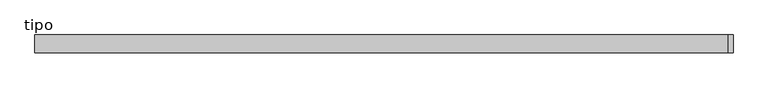
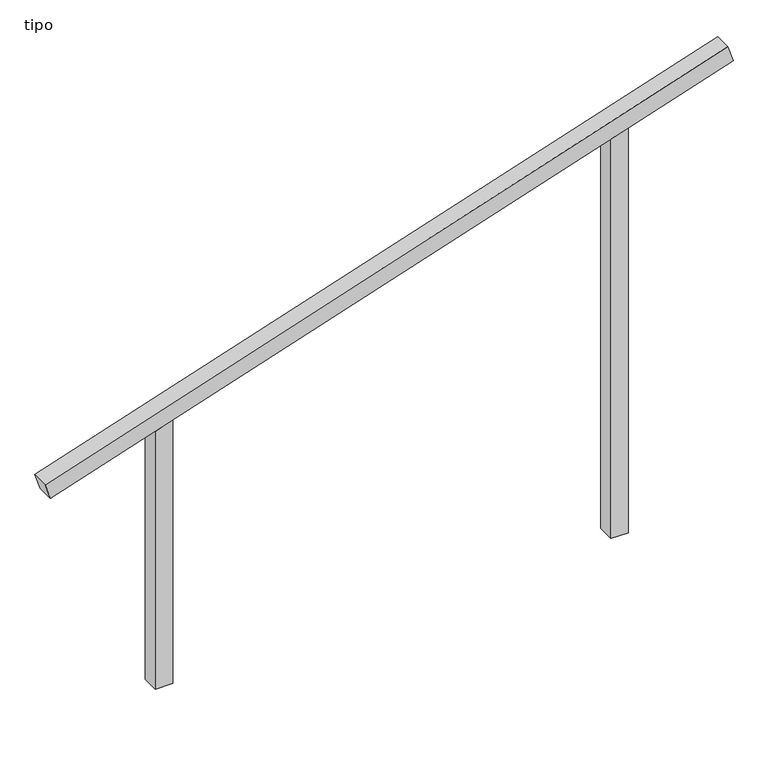
"""IFC4 building model written with IfcOpenShell, lengths in millimetres: proxy geometry, tipo."""

from ifc_helpers import new_model, si_unit, frame, origin, place, context, project, spatial, polyline, outline, extrude, source, transform, mapped, element, save


def tipo_510a3497(model_context):
    return source(origin(), model_context, "Body", "SweptSolid", [
        extrude(outline(polyline([(0.0, -4100.0000001), (0.0, 0.0), (100.0, 0.0), (100.0, -4100.0000001), (0.0, -4100.0000001)])), frame((-1947.5036884, -100.0, 1359.8989269), z_axis=(-0.312244425920502, 0.0, 0.9500017991991259), x_axis=(0.0, 1.0, 0.0)), (0.0, 0.0, 1.0), 100.0),
        extrude(outline(polyline([(2443.7149228, 1350.0), (2410.8471507, 1250.0), (0.0, 1250.0), (0.0, 1350.0), (2443.7149228, 1350.0)])), frame((0.0, -100.0, 0.0), z_axis=(0.0, 1.0, 0.0), x_axis=(0.0, 0.0, 1.0)), (0.0, 0.0, 1.0), 100.0),
        extrude(outline(polyline([(1556.2850772, -1350.0), (0.0, -1350.0), (0.0, -1250.0), (1589.1528493, -1250.0), (1556.2850772, -1350.0)])), frame((0.0, -100.0, 0.0), z_axis=(0.0, 1.0, 0.0), x_axis=(0.0, 0.0, 1.0)), (0.0, 0.0, 1.0), 100.0),
    ])


if __name__ == "__main__":
    model = new_model("IFC4")
    model_context = context("Model", 3, world=origin())
    ifc_project = project(units=[si_unit("LENGTHUNIT", "METRE", prefix="MILLI")], contexts=[model_context])
    site = spatial("IfcSite", under=ifc_project)
    building = spatial("IfcBuilding", under=site)
    placement = place(None, origin())
    tipo_shape = tipo_510a3497(model_context)
    element("IfcBuildingElementProxy", 1, Name="tipo", ObjectType="tipo", at=placement, inside=building, context=model_context, shape_type="MappedRepresentation", body=[
        mapped(tipo_shape, transform((0.0, 0.0, 0.0), x_axis=(1.0, 0.0, 0.0), y_axis=(0.0, 1.0, 0.0), z_axis=(0.0, 0.0, 1.0))),
    ])
    save(model, "model.ifc")
